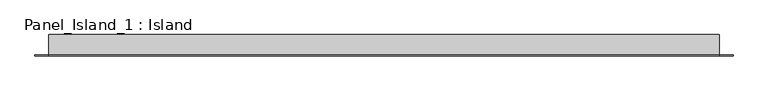
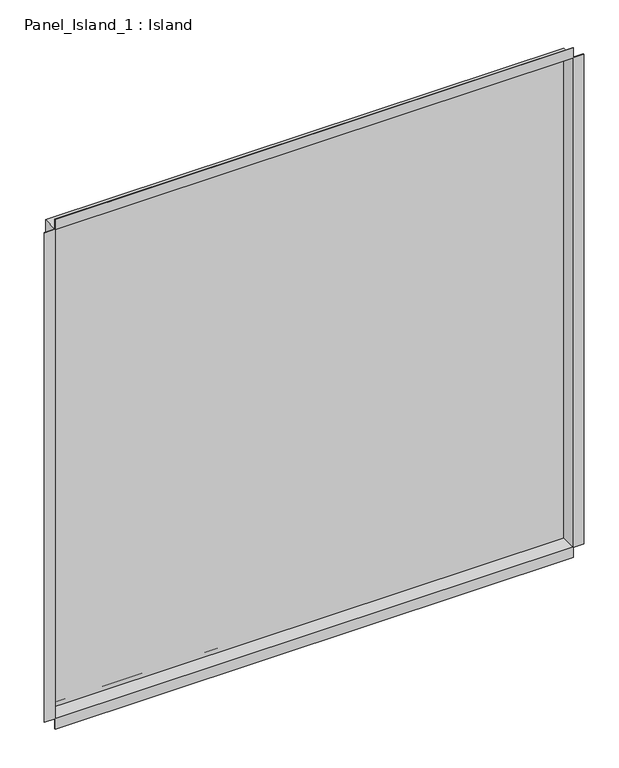
"""IFC4 building model written with IfcOpenShell, lengths in millimetres: plate geometry, Panel_Island_1 : Island."""

from ifc_helpers import new_model, si_unit, frame, origin, place, context, project, spatial, polyline, outline, extrude, faceted_brep, source, transform, mapped, element, save


def panel_island_1_island_9ad6838e(model_context):
    return source(origin(), model_context, "Body", "SolidModel", [
        faceted_brep([(499.0, 31.2, 998.4), (499.0, 0.0, 998.4), (-499.0, 0.0, 998.4), (-499.0, 31.2, 998.4), (489.8, 32.0, 989.2), (489.8, 31.2, 989.2), (-489.8, 31.2, 989.2), (-489.8, 32.0, 989.2), (499.8, 32.0, 999.2), (-499.8, 32.0, 999.2), (-499.8, 1.5, 999.2), (499.8, 1.5, 999.2), (-499.0, 0.0, 1.4), (-499.0, 31.2, 1.4), (-489.8, 31.2, 10.6), (-489.8, 32.0, 10.6), (-499.8, 32.0, 0.6), (-499.8, 1.5, 0.6), (-499.8, 1.5, 1019.2), (-499.8, 0.0, 999.2), (-499.8, 0.0, 1019.2), (499.0, 0.0, 1.4), (499.0, 31.2, 1.4), (489.8, 31.2, 10.6), (489.8, 32.0, 10.6), (499.8, 32.0, 0.6), (499.8, 1.5, 0.6), (520.4, 1.5, 0.6), (520.4, 0.0, 0.6), (499.8, 0.0, 0.6), (-520.4, 1.5, 0.6), (-499.8, 0.0, 0.6), (-520.4, 0.0, 0.6), (499.8, 0.0, 1019.2), (-520.4, 0.0, 999.2), (-499.8, 0.0, -20.0), (499.8, 0.0, -20.0), (520.4, 0.0, 999.2), (499.8, 0.0, 999.2), (499.8, 1.5, 1019.2), (520.4, 1.5, 999.2), (-520.4, 1.5, 999.2), (499.8, 1.5, -20.0), (-499.8, 1.5, -20.0)], [[[0, 1, 2, 3]], [[4, 5, 6, 7]], [[8, 9, 10, 11]], [[3, 2, 12, 13]], [[7, 6, 14, 15]], [[9, 16, 17, 10]], [[18, 10, 19, 20]], [[13, 12, 21, 22]], [[15, 14, 23, 24]], [[16, 25, 26, 17]], [[26, 27, 28, 29]], [[30, 17, 31, 32]], [[33, 20, 19, 34, 32, 31, 35, 36, 29, 28, 37, 38], [2, 1, 21, 12]], [[1, 0, 22, 21]], [[0, 3, 13, 22], [6, 5, 23, 14]], [[5, 4, 24, 23]], [[9, 8, 25, 16], [4, 7, 15, 24]], [[25, 8, 11, 26]], [[11, 39, 33, 38]], [[10, 18, 39, 11]], [[20, 33, 39, 18]], [[11, 40, 27, 26]], [[38, 37, 40, 11]], [[37, 28, 27, 40]], [[17, 30, 41, 10]], [[32, 34, 41, 30]], [[34, 19, 10, 41]], [[26, 42, 43, 17]], [[35, 31, 17, 43]], [[36, 35, 43, 42]], [[29, 36, 42, 26]]]),
        extrude(outline(polyline([(499.0, 30.2), (-499.0, 30.2), (-499.0, 31.2), (499.0, 31.2), (499.0, 30.2)])), frame((0.0, 0.0, 1.4), z_axis=(0.0, 0.0, 1.0), x_axis=(1.0, 0.0, 0.0)), (0.0, 0.0, 1.0), 997.0),
        extrude(outline(polyline([(489.8, 31.2), (-489.8, 31.2), (-489.8, 32.0), (489.8, 32.0), (489.8, 31.2)])), frame((0.0, 0.0, 10.6), z_axis=(0.0, 0.0, 1.0), x_axis=(1.0, 0.0, 0.0)), (0.0, 0.0, 1.0), 978.6),
    ])


if __name__ == "__main__":
    model = new_model("IFC4")
    model_context = context("Model", 3, world=origin())
    ifc_project = project(units=[si_unit("LENGTHUNIT", "METRE", prefix="MILLI")], contexts=[model_context])
    site = spatial("IfcSite", under=ifc_project)
    building = spatial("IfcBuilding", under=site)
    placement = place(None, origin())
    panel_island_1_island_shape = panel_island_1_island_9ad6838e(model_context)
    element("IfcPlate", 1, ObjectType="Panel_Island_1 : Island", at=placement, inside=building, context=model_context, shape_type="MappedRepresentation", body=[
        mapped(panel_island_1_island_shape, transform((0.0, 0.0, 0.0), x_axis=(1.0, 0.0, 0.0), y_axis=(0.0, 1.0, 0.0), z_axis=(0.0, 0.0, 1.0))),
    ])
    save(model, "model.ifc")
